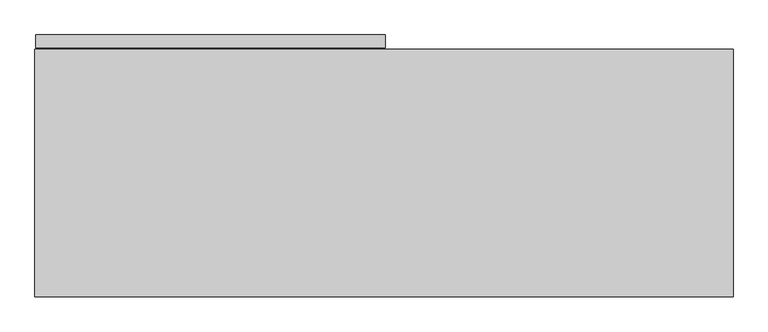
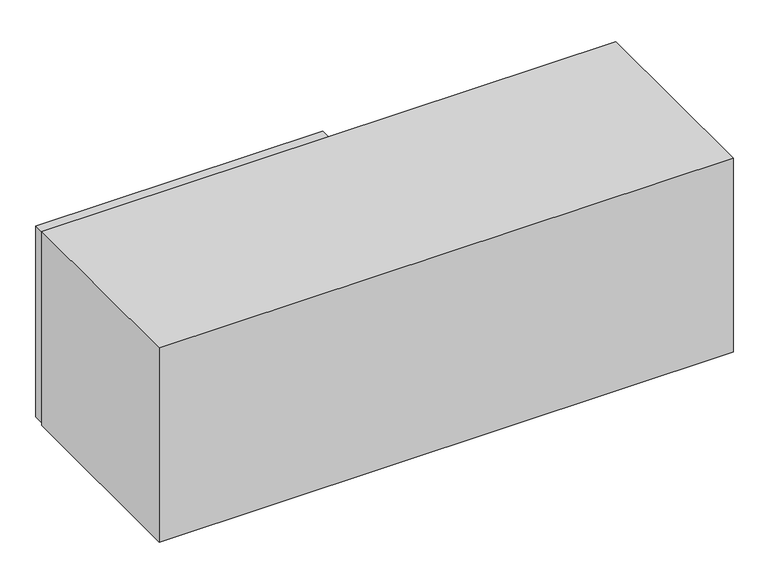
"""IFC4 building model written with IfcOpenShell, lengths in millimetres: furniture geometry."""

from ifc_helpers import new_model, si_unit, frame, origin, place, context, project, spatial, polyline, outline, extrude, faceted_brep, source, transform, mapped, element, save


def furniture_207340bf(model_context):
    return source(origin(), model_context, "Body", "SolidModel", [
        extrude(outline(polyline([(534.4792365, 380.3650097), (1.5010712, 380.3650097), (1.5010712, 400.05), (534.4792365, 400.05), (534.4792365, 380.3650097)])), frame((0.0, 0.0, 1288.9992008), z_axis=(0.0, 0.0, 1.0), x_axis=(1.0, 0.0, 0.0)), (0.0, 0.0, 1.0), 375.0055984),
        faceted_brep([(522.8084682, 377.8757721, 1306.1696643), (522.8084682, 20.1675917, 1306.1696643), (522.8084682, 20.1675917, 1646.8343357), (522.8084682, 377.8757721, 1646.8343357), (0.0, 377.8757721, 1667.002), (1065.784, 377.8757721, 1667.002), (1065.784, 377.8757721, 1286.002), (0.0, 377.8757721, 1286.002), (20.1673737, 377.8757721, 1646.8343357), (20.1673737, 377.8757721, 1306.1696643), (542.9755318, 377.8757721, 1306.1696643), (1045.6166263, 377.8757721, 1306.1696643), (1045.6166263, 377.8757721, 1646.8343357), (542.9755318, 377.8757721, 1646.8343357), (542.9755318, 20.1675917, 1646.8343357), (542.9755318, 20.1675917, 1306.1696643), (1045.6166263, 20.1675917, 1306.1696643), (20.1673737, 20.1675917, 1306.1696643), (0.0, 0.0, 1286.002), (1065.784, 0.0, 1286.002), (0.0, 0.0, 1667.002), (1065.784, 0.0, 1667.002), (20.1673737, 20.1675917, 1646.8343357), (1045.6166263, 20.1675917, 1646.8343357)], [[[0, 1, 2, 3]], [[4, 5, 6, 7], [3, 8, 9, 0], [10, 11, 12, 13]], [[13, 14, 15, 10]], [[10, 15, 16, 11]], [[9, 17, 1, 0]], [[18, 7, 6, 19]], [[20, 21, 5, 4]], [[4, 7, 18, 20]], [[9, 8, 22, 17]], [[1, 17, 22, 2]], [[14, 23, 16, 15]], [[16, 23, 12, 11]], [[21, 19, 6, 5]], [[20, 18, 19, 21]], [[3, 2, 22, 8]], [[12, 23, 14, 13]]]),
    ])


if __name__ == "__main__":
    model = new_model("IFC4")
    model_context = context("Model", 3, world=origin())
    ifc_project = project(units=[si_unit("LENGTHUNIT", "METRE", prefix="MILLI")], contexts=[model_context])
    site = spatial("IfcSite", under=ifc_project)
    building = spatial("IfcBuilding", under=site)
    placement = place(None, origin())
    furniture_shape = furniture_207340bf(model_context)
    element("IfcFurniture", 1, at=placement, inside=building, context=model_context, shape_type="MappedRepresentation", body=[
        mapped(furniture_shape, transform((0.0, 0.0, 0.0), x_axis=(1.0, 0.0, 0.0), y_axis=(0.0, 1.0, 0.0), z_axis=(0.0, 0.0, 1.0))),
    ])
    save(model, "model.ifc")
